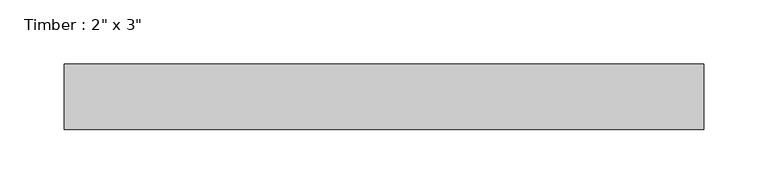
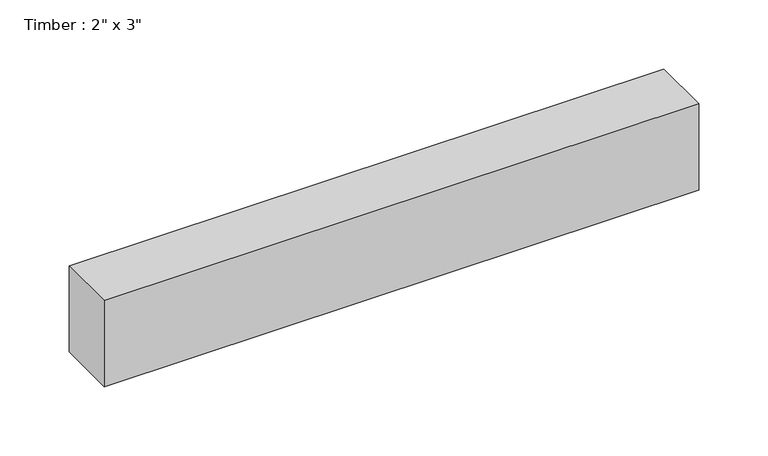
"""IFC4 building model written with IfcOpenShell, lengths in millimetres: beam geometry."""

from ifc_helpers import new_model, si_unit, frame, origin, place, context, project, spatial, polyline, outline, extrude, source, transform, mapped, element, save


def beam_9fb1b11f(model_context):
    return source(origin(), model_context, "Body", "SweptSolid", [
        extrude(outline(polyline([(248.3840446, -25.4), (-248.3840446, -25.4), (-248.3840446, 25.4), (248.3840446, 25.4), (248.3840446, -25.4)])), frame((0.0, 0.0, -38.1), z_axis=(0.0, 0.0, 1.0), x_axis=(1.0, 0.0, 0.0)), (0.0, 0.0, 1.0), 76.2),
    ])


if __name__ == "__main__":
    model = new_model("IFC4")
    model_context = context("Model", 3, world=origin())
    ifc_project = project(units=[si_unit("LENGTHUNIT", "METRE", prefix="MILLI")], contexts=[model_context])
    site = spatial("IfcSite", under=ifc_project)
    building = spatial("IfcBuilding", under=site)
    placement = place(None, origin())
    beam_shape = beam_9fb1b11f(model_context)
    element("IfcBeam", 1, ObjectType="Timber : 2\" x 3\"", at=placement, inside=building, context=model_context, shape_type="MappedRepresentation", body=[
        mapped(beam_shape, transform((0.0, 0.0, 0.0), x_axis=(1.0, 0.0, 0.0), y_axis=(0.0, 1.0, 0.0), z_axis=(0.0, 0.0, 1.0))),
    ])
    save(model, "model.ifc")
